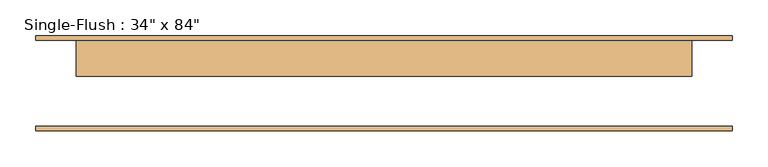
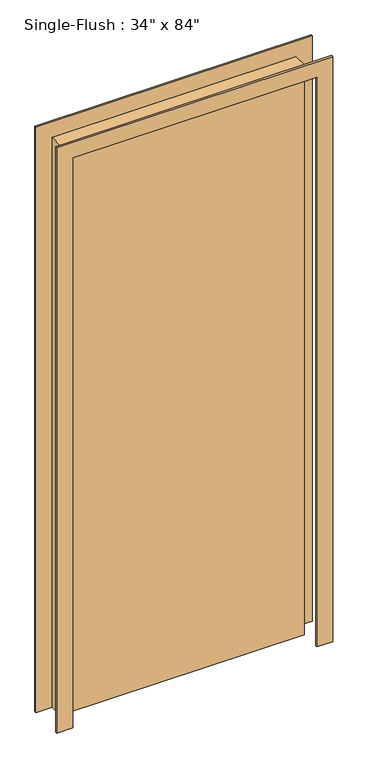
"""IFC4 building model written with IfcOpenShell, lengths in millimetres: door geometry."""

from ifc_helpers import new_model, si_unit, frame, origin, origin_with_axes, place, context, project, spatial, polyline, outline, extrude, source, transform, mapped, element, save


def door_ee2c5c1a(model_context):
    return source(origin(), model_context, "Body", "SweptSolid", [
        extrude(outline(polyline([(2190.75, -488.95), (0.0, -488.95), (0.0, -431.8), (2133.6, -431.8), (2133.6, 431.8), (0.0, 431.8), (0.0, 488.95), (2190.75, 488.95), (2190.75, -488.95)])), frame((0.0, 60.325, 0.0), z_axis=(0.0, 1.0, 0.0), x_axis=(0.0, 0.0, 1.0)), (0.0, 0.0, 1.0), 6.35),
        extrude(outline(polyline([(2190.75, 488.95), (2190.75, -488.95), (0.0, -488.95), (0.0, -431.8), (2133.6, -431.8), (2133.6, 431.8), (0.0, 431.8), (0.0, 488.95), (2190.75, 488.95)])), frame((0.0, -66.675, 0.0), z_axis=(0.0, 1.0, 0.0), x_axis=(0.0, 0.0, 1.0)), (0.0, 0.0, 1.0), 6.35),
        extrude(outline(polyline([(431.8, 9.525), (-431.8, 9.525), (-431.8, 60.325), (431.8, 60.325), (431.8, 9.525)])), origin_with_axes(), (0.0, 0.0, 1.0), 2133.6),
    ])


if __name__ == "__main__":
    model = new_model("IFC4")
    model_context = context("Model", 3, world=origin())
    ifc_project = project(units=[si_unit("LENGTHUNIT", "METRE", prefix="MILLI")], contexts=[model_context])
    site = spatial("IfcSite", under=ifc_project)
    building = spatial("IfcBuilding", under=site)
    placement = place(None, origin())
    door_shape = door_ee2c5c1a(model_context)
    element("IfcDoor", 1, ObjectType="Single-Flush : 34\" x 84\"", at=placement, inside=building, context=model_context, shape_type="MappedRepresentation", body=[
        mapped(door_shape, transform((0.0, 0.0, 0.0), x_axis=(1.0, 0.0, 0.0), y_axis=(0.0, 1.0, 0.0), z_axis=(0.0, 0.0, 1.0))),
    ])
    save(model, "model.ifc")
